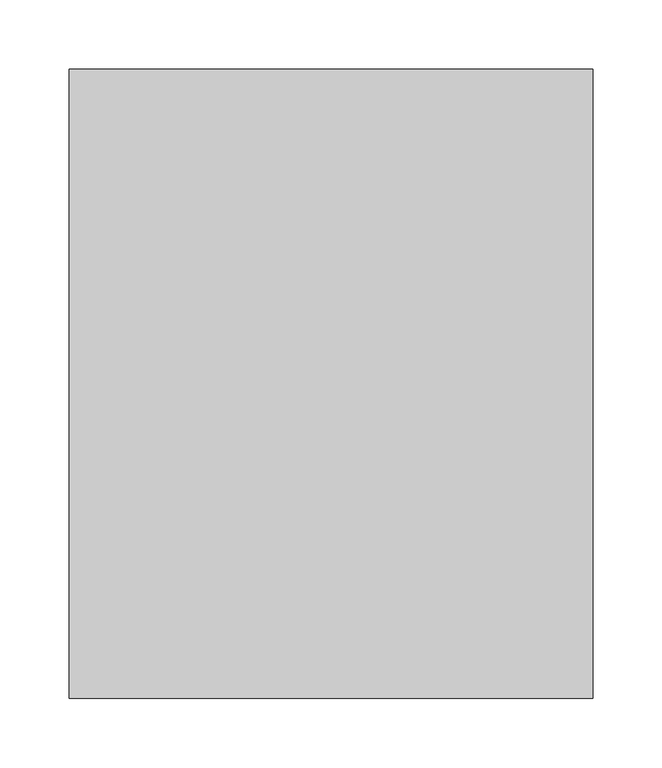
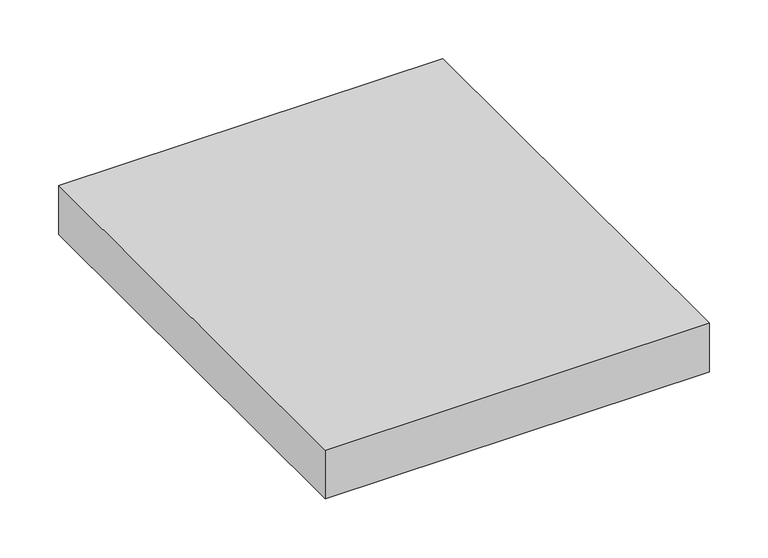
"""IFC4 building model written with IfcOpenShell, lengths in millimetres: furniture geometry."""

from ifc_helpers import new_model, si_unit, frame, origin, place, context, project, spatial, polyline, outline, extrude, source, transform, mapped, element, save


def furniture_01550027(model_context):
    return source(origin(), model_context, "Body", "SweptSolid", [
        extrude(outline(polyline([(377.825, 454.025), (377.825, 0.0), (0.0, 0.0), (0.0, 454.025), (377.825, 454.025)])), frame((0.0, 0.0, 530.225), z_axis=(0.0, 0.0, 1.0), x_axis=(1.0, 0.0, 0.0)), (0.0, 0.0, 1.0), 50.8),
    ])


if __name__ == "__main__":
    model = new_model("IFC4")
    model_context = context("Model", 3, world=origin())
    ifc_project = project(units=[si_unit("LENGTHUNIT", "METRE", prefix="MILLI")], contexts=[model_context])
    site = spatial("IfcSite", under=ifc_project)
    building = spatial("IfcBuilding", under=site)
    placement = place(None, origin())
    furniture_shape = furniture_01550027(model_context)
    element("IfcFurniture", 1, at=placement, inside=building, context=model_context, shape_type="MappedRepresentation", body=[
        mapped(furniture_shape, transform((0.0, 0.0, 0.0), x_axis=(1.0, 0.0, 0.0), y_axis=(0.0, 1.0, 0.0), z_axis=(0.0, 0.0, 1.0))),
    ])
    save(model, "model.ifc")
